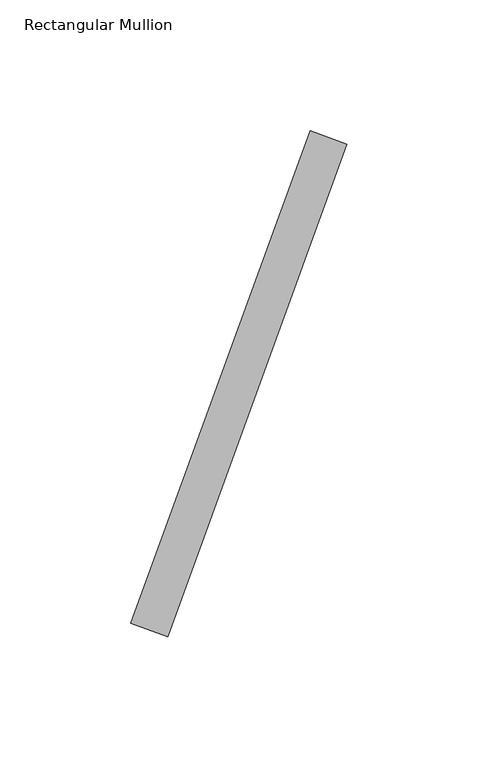
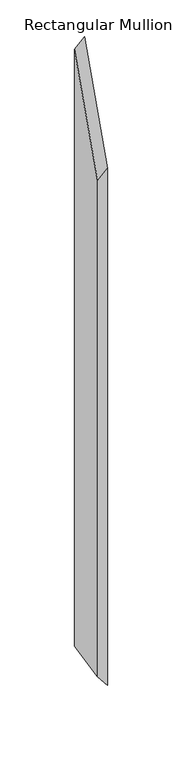
"""IFC4 building model written with IfcOpenShell, lengths in millimetres: member geometry, Rectangular Mullion."""

import ifcopenshell
import ifcopenshell.guid

model = None  # the IFC model being written
_history = None  # IfcOwnerHistory: only IFC2X3 demands one
_inside = {}  # id of a spatial element -> (the spatial element, [elements in it])
_under = {}  # id of a project, library or spatial element -> (it, [spatial elements below it])
_declared = {}  # id of a project -> (the project, [libraries it declares])
_typed = {}  # id of a type object -> (the type object, [elements of that type])
_made_of = {}  # id of a material, layer set ... -> (it, [elements and type objects made of it])


def new_model(schema):
    """Start an empty IFC model of exactly this schema.

    Asked for "IFC4X3", IfcOpenShell would pick the latest addendum, in which some entities
    have other attributes; the version numbers below select the first issue.
    IFC2X3 requires an IfcOwnerHistory on every rooted entity: one is made here for all.
    """
    global model, _history
    if schema == "IFC4X3":
        model = ifcopenshell.file(schema_version=(4, 3, 0, 0))
    else:
        model = ifcopenshell.file(schema=schema)
    _inside.clear()
    _under.clear()
    _declared.clear()
    _typed.clear()
    _made_of.clear()
    _history = None
    if model.schema == "IFC2X3":
        org = make("IfcOrganization", Name="unknown")
        user = make(
            "IfcPersonAndOrganization",
            ThePerson=make("IfcPerson", FamilyName="unknown"),
            TheOrganization=org,
        )
        app = make(
            "IfcApplication",
            ApplicationDeveloper=org,
            Version="unknown",
            ApplicationFullName="unknown",
            ApplicationIdentifier="unknown",
        )
        _history = make(
            "IfcOwnerHistory",
            OwningUser=user,
            OwningApplication=app,
            ChangeAction="ADDED",
            CreationDate=0,
        )
    return model


def make(cls, **values):
    """One entity of the class cls with the attributes given. An attribute that is None is left unset."""
    return model.create_entity(
        cls, **{name: value for name, value in values.items() if value is not None}
    )


def rooted(cls, **values):
    """An entity with a GlobalId (a new one), such as an element, a storey or a relation."""
    return make(cls, GlobalId=ifcopenshell.guid.new(), OwnerHistory=_history, **values)


def si_unit(unit_type, name, prefix=None):
    """IfcSIUnit, for example si_unit("LENGTHUNIT", "METRE", prefix="MILLI")."""
    return make("IfcSIUnit", UnitType=unit_type, Prefix=prefix, Name=name)


def assignment(units):
    """IfcUnitAssignment: the units of a project."""
    return None if units is None else make("IfcUnitAssignment", Units=units)


def point(xyz):
    """IfcCartesianPoint."""
    return None if xyz is None else make("IfcCartesianPoint", Coordinates=xyz)


def direction(xyz):
    """IfcDirection."""
    return None if xyz is None else make("IfcDirection", DirectionRatios=xyz)


def frame(location, z_axis=None, x_axis=None):
    """IfcAxis2Placement3D, a coordinate frame: its origin and axes. An axis left out is left unset."""
    return make(
        "IfcAxis2Placement3D",
        Location=point(location),
        Axis=direction(z_axis),
        RefDirection=direction(x_axis),
    )


def origin():
    """The frame at (0, 0, 0) with its axes left unset."""
    return frame((0.0, 0.0, 0.0))


def place(relative_to, where):
    """IfcLocalPlacement: puts the frame where relative to a parent placement (None: the world)."""
    return make(
        "IfcLocalPlacement", PlacementRelTo=relative_to, RelativePlacement=where
    )


def context(
    kind, dimensions, precision=None, world=None, true_north=None, identifier=None
):
    """IfcGeometricRepresentationContext, for example the 3D "Model" context."""
    return make(
        "IfcGeometricRepresentationContext",
        ContextIdentifier=identifier,
        ContextType=kind,
        CoordinateSpaceDimension=dimensions,
        Precision=precision,
        WorldCoordinateSystem=world,
        TrueNorth=true_north,
    )


def project(units=None, contexts=None):
    """IfcProject with its units and contexts."""
    return rooted(
        "IfcProject",
        Name="project",
        RepresentationContexts=contexts,
        UnitsInContext=assignment(units),
    )


def spatial(cls, under=None, at=None, **own):
    """A site, building, storey or space (cls), placed at a placement, below another one or the project."""
    s = rooted(cls, ObjectPlacement=at, **own)
    if under is not None:
        _under.setdefault(under.id(), (under, []))[1].append(s)
    return s


def faces_of(points, faces, orient=None, outer=None):
    """IfcFace entities. A face is a list of loops; a loop is a list of indices into points, from 0.

    orient and outer hold one flag for each loop. By default every Orientation is true, the
    first loop of a face is its IfcFaceOuterBound and the others are IfcFaceBound.
    """
    made = []
    for i, loops in enumerate(faces):
        bounds = []
        for j, loop in enumerate(loops):
            is_outer = j == 0 if outer is None else outer[i][j]
            bounds.append(
                make(
                    "IfcFaceOuterBound" if is_outer else "IfcFaceBound",
                    Bound=make("IfcPolyLoop", Polygon=[points[k] for k in loop]),
                    Orientation=True if orient is None else orient[i][j],
                )
            )
        made.append(make("IfcFace", Bounds=bounds))
    return made


def faceted_brep(points, faces, orient=None, outer=None, voids=None):
    """IfcFacetedBrep: a solid bounded by flat faces; with voids (closed shells), ...WithVoids."""
    shared = [point(p) for p in points]
    hull = make("IfcClosedShell", CfsFaces=faces_of(shared, faces, orient, outer))
    if voids is None:
        return make("IfcFacetedBrep", Outer=hull)
    return make(
        "IfcFacetedBrepWithVoids",
        Outer=hull,
        Voids=[
            make(cls, CfsFaces=faces_of(shared, fs, o, b)) for cls, fs, o, b in voids
        ],
    )


def shape(context_of_items, identifier, shape_type, items):
    """IfcShapeRepresentation: the items that make up one representation, for example the "Body"."""
    return make(
        "IfcShapeRepresentation",
        ContextOfItems=context_of_items,
        RepresentationIdentifier=identifier,
        RepresentationType=shape_type,
        Items=items,
    )


def source(mapping_origin, context_of_items, identifier, shape_type, items):
    """IfcRepresentationMap: a shape defined once, which mapped items show again and again."""
    return make(
        "IfcRepresentationMap",
        MappingOrigin=mapping_origin,
        MappedRepresentation=shape(context_of_items, identifier, shape_type, items),
    )


def transform(
    local_origin,
    x_axis=None,
    y_axis=None,
    z_axis=None,
    scale=None,
    scale2=None,
    scale3=None,
    uniform=True,
):
    """IfcCartesianTransformationOperator3D, or its non-uniform kind. x_axis, y_axis, z_axis: its Axis1, 2, 3."""
    if uniform:
        return make(
            "IfcCartesianTransformationOperator3D",
            Axis1=direction(x_axis),
            Axis2=direction(y_axis),
            LocalOrigin=point(local_origin),
            Scale=scale,
            Axis3=direction(z_axis),
        )
    return make(
        "IfcCartesianTransformationOperator3DnonUniform",
        Axis1=direction(x_axis),
        Axis2=direction(y_axis),
        LocalOrigin=point(local_origin),
        Scale=scale,
        Axis3=direction(z_axis),
        Scale2=scale2,
        Scale3=scale3,
    )


def mapped(mapping_source, mapping_target):
    """IfcMappedItem: shows the shape of a source again, moved by a transform."""
    return make(
        "IfcMappedItem", MappingSource=mapping_source, MappingTarget=mapping_target
    )


def made_of(thing, what):
    """Note that an element or type object is made of a material, layer set ...; save() writes the relation."""
    if what is not None:
        _made_of.setdefault(what.id(), (what, []))[1].append(thing)
    return thing


def element(
    cls,
    number,
    at=None,
    inside=None,
    cuts=None,
    type_object=None,
    material=None,
    context=None,
    identifier="Body",
    shape_type=None,
    held_by="IfcProductDefinitionShape",
    body=None,
    shapes=None,
    **own,
):
    """One element of the class cls, such as IfcWall. Its Tag is "e" and its number.

    at: its placement. inside: the storey or other place that contains it. cuts: it is an
    opening in that element (IfcRelVoidsElement). A single representation is given by context,
    identifier, shape_type and body (its items); several are given by shapes. held_by: the class
    of the entity that holds the representations. save() writes the other relations.
    """
    e = rooted(cls, Tag="e%d" % number, ObjectPlacement=at, **own)
    if body is not None:
        shapes = [shape(context, identifier, shape_type, body)]
    if shapes is not None:
        e.Representation = make(held_by, Representations=shapes)
    if inside is not None:
        _inside.setdefault(inside.id(), (inside, []))[1].append(e)
    if cuts is not None:
        rooted(
            "IfcRelVoidsElement", RelatingBuildingElement=cuts, RelatedOpeningElement=e
        )
    if type_object is not None:
        _typed.setdefault(type_object.id(), (type_object, []))[1].append(e)
    return made_of(e, material)


def aggregate(whole, parts):
    """IfcRelAggregates: a whole, such as a stair, and the parts it consists of."""
    return rooted("IfcRelAggregates", RelatingObject=whole, RelatedObjects=parts)


def save(model, path):
    """Write the relations noted so far, then the file.

    IfcRelAggregates (storeys below a building ...), IfcRelContainedInSpatialStructure (elements
    in a storey), IfcRelDefinesByType, IfcRelAssociatesMaterial and IfcRelDeclares: one each for
    every whole, place, type object, material and project.
    """
    for whole, parts in _under.values():
        aggregate(whole, parts)
    for where, things in _inside.values():
        rooted(
            "IfcRelContainedInSpatialStructure",
            RelatedElements=things,
            RelatingStructure=where,
        )
    for kind, things in _typed.values():
        rooted("IfcRelDefinesByType", RelatedObjects=things, RelatingType=kind)
    for what, things in _made_of.values():
        rooted("IfcRelAssociatesMaterial", RelatedObjects=things, RelatingMaterial=what)
    for by, libraries in _declared.values():
        rooted("IfcRelDeclares", RelatingContext=by, RelatedDefinitions=libraries)
    model.write(path)


def rectangular_mullion_a789af44(model_context):
    return source(origin(), model_context, "Body", "Brep", [
        faceted_brep([(-19.0607062, -52.36886, -28.2755975), (-87.4647349, -240.3073841, -129.7495279), (-87.4647349, -240.3073841, -1071.0394307), (-19.0607062, -52.36886, -1153.6068655), (-101.5601242, -235.177082, -150.6593279), (-33.1560955, -47.2385578, -49.1853974), (-33.1560955, -47.2385578, -1136.5929533), (-101.5601242, -235.177082, -1054.0255185)], [[[0, 1, 2, 3]], [[4, 5, 6, 7]], [[1, 4, 7, 2]], [[5, 0, 3, 6]], [[5, 4, 1, 0]], [[6, 3, 2, 7]]]),
    ])


if __name__ == "__main__":
    model = new_model("IFC4")
    model_context = context("Model", 3, world=origin())
    ifc_project = project(units=[si_unit("LENGTHUNIT", "METRE", prefix="MILLI")], contexts=[model_context])
    site = spatial("IfcSite", under=ifc_project)
    building = spatial("IfcBuilding", under=site)
    placement = place(None, origin())
    rectangular_mullion_shape = rectangular_mullion_a789af44(model_context)
    element("IfcMember", 1, ObjectType="Rectangular Mullion", at=placement, inside=building, context=model_context, shape_type="MappedRepresentation", body=[
        mapped(rectangular_mullion_shape, transform((0.0, 0.0, 0.0), x_axis=(1.0, 0.0, 0.0), y_axis=(0.0, 1.0, 0.0), z_axis=(0.0, 0.0, 1.0))),
    ])
    save(model, "model.ifc")
